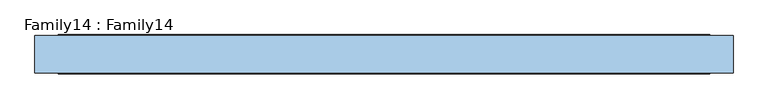
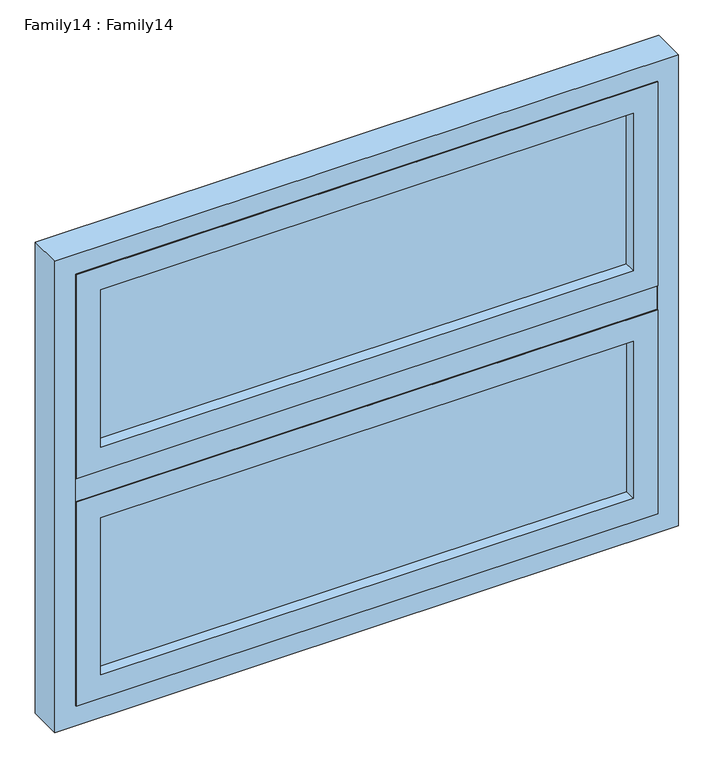
"""IFC4 building model written with IfcOpenShell, lengths in millimetres: window geometry, Family14 : Family14."""

import ifcopenshell
import ifcopenshell.guid

model = None  # the IFC model being written
_history = None  # IfcOwnerHistory: only IFC2X3 demands one
_inside = {}  # id of a spatial element -> (the spatial element, [elements in it])
_under = {}  # id of a project, library or spatial element -> (it, [spatial elements below it])
_declared = {}  # id of a project -> (the project, [libraries it declares])
_typed = {}  # id of a type object -> (the type object, [elements of that type])
_made_of = {}  # id of a material, layer set ... -> (it, [elements and type objects made of it])


def new_model(schema):
    """Start an empty IFC model of exactly this schema.

    Asked for "IFC4X3", IfcOpenShell would pick the latest addendum, in which some entities
    have other attributes; the version numbers below select the first issue.
    IFC2X3 requires an IfcOwnerHistory on every rooted entity: one is made here for all.
    """
    global model, _history
    if schema == "IFC4X3":
        model = ifcopenshell.file(schema_version=(4, 3, 0, 0))
    else:
        model = ifcopenshell.file(schema=schema)
    _inside.clear()
    _under.clear()
    _declared.clear()
    _typed.clear()
    _made_of.clear()
    _history = None
    if model.schema == "IFC2X3":
        org = make("IfcOrganization", Name="unknown")
        user = make(
            "IfcPersonAndOrganization",
            ThePerson=make("IfcPerson", FamilyName="unknown"),
            TheOrganization=org,
        )
        app = make(
            "IfcApplication",
            ApplicationDeveloper=org,
            Version="unknown",
            ApplicationFullName="unknown",
            ApplicationIdentifier="unknown",
        )
        _history = make(
            "IfcOwnerHistory",
            OwningUser=user,
            OwningApplication=app,
            ChangeAction="ADDED",
            CreationDate=0,
        )
    return model


def make(cls, **values):
    """One entity of the class cls with the attributes given. An attribute that is None is left unset."""
    return model.create_entity(
        cls, **{name: value for name, value in values.items() if value is not None}
    )


def rooted(cls, **values):
    """An entity with a GlobalId (a new one), such as an element, a storey or a relation."""
    return make(cls, GlobalId=ifcopenshell.guid.new(), OwnerHistory=_history, **values)


def si_unit(unit_type, name, prefix=None):
    """IfcSIUnit, for example si_unit("LENGTHUNIT", "METRE", prefix="MILLI")."""
    return make("IfcSIUnit", UnitType=unit_type, Prefix=prefix, Name=name)


def assignment(units):
    """IfcUnitAssignment: the units of a project."""
    return None if units is None else make("IfcUnitAssignment", Units=units)


def point(xyz):
    """IfcCartesianPoint."""
    return None if xyz is None else make("IfcCartesianPoint", Coordinates=xyz)


def direction(xyz):
    """IfcDirection."""
    return None if xyz is None else make("IfcDirection", DirectionRatios=xyz)


def frame(location, z_axis=None, x_axis=None):
    """IfcAxis2Placement3D, a coordinate frame: its origin and axes. An axis left out is left unset."""
    return make(
        "IfcAxis2Placement3D",
        Location=point(location),
        Axis=direction(z_axis),
        RefDirection=direction(x_axis),
    )


def origin():
    """The frame at (0, 0, 0) with its axes left unset."""
    return frame((0.0, 0.0, 0.0))


def place(relative_to, where):
    """IfcLocalPlacement: puts the frame where relative to a parent placement (None: the world)."""
    return make(
        "IfcLocalPlacement", PlacementRelTo=relative_to, RelativePlacement=where
    )


def context(
    kind, dimensions, precision=None, world=None, true_north=None, identifier=None
):
    """IfcGeometricRepresentationContext, for example the 3D "Model" context."""
    return make(
        "IfcGeometricRepresentationContext",
        ContextIdentifier=identifier,
        ContextType=kind,
        CoordinateSpaceDimension=dimensions,
        Precision=precision,
        WorldCoordinateSystem=world,
        TrueNorth=true_north,
    )


def project(units=None, contexts=None):
    """IfcProject with its units and contexts."""
    return rooted(
        "IfcProject",
        Name="project",
        RepresentationContexts=contexts,
        UnitsInContext=assignment(units),
    )


def spatial(cls, under=None, at=None, **own):
    """A site, building, storey or space (cls), placed at a placement, below another one or the project."""
    s = rooted(cls, ObjectPlacement=at, **own)
    if under is not None:
        _under.setdefault(under.id(), (under, []))[1].append(s)
    return s


def polyline(points):
    """IfcPolyline through the points."""
    return make("IfcPolyline", Points=[point(p) for p in points])


def outline(outer, holes=None, kind="AREA"):
    """IfcArbitraryClosedProfileDef: a profile drawn as a closed curve; with holes, ...WithVoids."""
    if holes is None:
        return make("IfcArbitraryClosedProfileDef", ProfileType=kind, OuterCurve=outer)
    return make(
        "IfcArbitraryProfileDefWithVoids",
        ProfileType=kind,
        OuterCurve=outer,
        InnerCurves=holes,
    )


def extrude(swept, where, along, depth):
    """IfcExtrudedAreaSolid: the profile swept, set in the frame where, extruded along a direction by depth."""
    return make(
        "IfcExtrudedAreaSolid",
        SweptArea=swept,
        Position=where,
        ExtrudedDirection=direction(along),
        Depth=depth,
    )


def shape(context_of_items, identifier, shape_type, items):
    """IfcShapeRepresentation: the items that make up one representation, for example the "Body"."""
    return make(
        "IfcShapeRepresentation",
        ContextOfItems=context_of_items,
        RepresentationIdentifier=identifier,
        RepresentationType=shape_type,
        Items=items,
    )


def source(mapping_origin, context_of_items, identifier, shape_type, items):
    """IfcRepresentationMap: a shape defined once, which mapped items show again and again."""
    return make(
        "IfcRepresentationMap",
        MappingOrigin=mapping_origin,
        MappedRepresentation=shape(context_of_items, identifier, shape_type, items),
    )


def transform(
    local_origin,
    x_axis=None,
    y_axis=None,
    z_axis=None,
    scale=None,
    scale2=None,
    scale3=None,
    uniform=True,
):
    """IfcCartesianTransformationOperator3D, or its non-uniform kind. x_axis, y_axis, z_axis: its Axis1, 2, 3."""
    if uniform:
        return make(
            "IfcCartesianTransformationOperator3D",
            Axis1=direction(x_axis),
            Axis2=direction(y_axis),
            LocalOrigin=point(local_origin),
            Scale=scale,
            Axis3=direction(z_axis),
        )
    return make(
        "IfcCartesianTransformationOperator3DnonUniform",
        Axis1=direction(x_axis),
        Axis2=direction(y_axis),
        LocalOrigin=point(local_origin),
        Scale=scale,
        Axis3=direction(z_axis),
        Scale2=scale2,
        Scale3=scale3,
    )


def mapped(mapping_source, mapping_target):
    """IfcMappedItem: shows the shape of a source again, moved by a transform."""
    return make(
        "IfcMappedItem", MappingSource=mapping_source, MappingTarget=mapping_target
    )


def made_of(thing, what):
    """Note that an element or type object is made of a material, layer set ...; save() writes the relation."""
    if what is not None:
        _made_of.setdefault(what.id(), (what, []))[1].append(thing)
    return thing


def element(
    cls,
    number,
    at=None,
    inside=None,
    cuts=None,
    type_object=None,
    material=None,
    context=None,
    identifier="Body",
    shape_type=None,
    held_by="IfcProductDefinitionShape",
    body=None,
    shapes=None,
    **own,
):
    """One element of the class cls, such as IfcWall. Its Tag is "e" and its number.

    at: its placement. inside: the storey or other place that contains it. cuts: it is an
    opening in that element (IfcRelVoidsElement). A single representation is given by context,
    identifier, shape_type and body (its items); several are given by shapes. held_by: the class
    of the entity that holds the representations. save() writes the other relations.
    """
    e = rooted(cls, Tag="e%d" % number, ObjectPlacement=at, **own)
    if body is not None:
        shapes = [shape(context, identifier, shape_type, body)]
    if shapes is not None:
        e.Representation = make(held_by, Representations=shapes)
    if inside is not None:
        _inside.setdefault(inside.id(), (inside, []))[1].append(e)
    if cuts is not None:
        rooted(
            "IfcRelVoidsElement", RelatingBuildingElement=cuts, RelatedOpeningElement=e
        )
    if type_object is not None:
        _typed.setdefault(type_object.id(), (type_object, []))[1].append(e)
    return made_of(e, material)


def aggregate(whole, parts):
    """IfcRelAggregates: a whole, such as a stair, and the parts it consists of."""
    return rooted("IfcRelAggregates", RelatingObject=whole, RelatedObjects=parts)


def save(model, path):
    """Write the relations noted so far, then the file.

    IfcRelAggregates (storeys below a building ...), IfcRelContainedInSpatialStructure (elements
    in a storey), IfcRelDefinesByType, IfcRelAssociatesMaterial and IfcRelDeclares: one each for
    every whole, place, type object, material and project.
    """
    for whole, parts in _under.values():
        aggregate(whole, parts)
    for where, things in _inside.values():
        rooted(
            "IfcRelContainedInSpatialStructure",
            RelatedElements=things,
            RelatingStructure=where,
        )
    for kind, things in _typed.values():
        rooted("IfcRelDefinesByType", RelatedObjects=things, RelatingType=kind)
    for what, things in _made_of.values():
        rooted("IfcRelAssociatesMaterial", RelatedObjects=things, RelatingMaterial=what)
    for by, libraries in _declared.values():
        rooted("IfcRelDeclares", RelatingContext=by, RelatedDefinitions=libraries)
    model.write(path)


def family14_family14_2bd14188(model_context):
    return source(origin(), model_context, "Body", "SweptSolid", [
        extrude(outline(polyline([(636.0, -10.0), (636.0, -14.0), (-636.0, -14.0), (-636.0, -10.0), (636.0, -10.0)])), frame((0.0, 0.0, 909.0), z_axis=(0.0, 0.0, 1.0), x_axis=(1.0, 0.0, 0.0)), (0.0, 0.0, 1.0), 397.0),
        extrude(outline(polyline([(636.0, 14.0), (636.0, 10.0), (-636.0, 10.0), (-636.0, 14.0), (636.0, 14.0)])), frame((0.0, 0.0, 909.0), z_axis=(0.0, 0.0, 1.0), x_axis=(1.0, 0.0, 0.0)), (0.0, 0.0, 1.0), 397.0),
        extrude(outline(polyline([(1365.0, 695.0), (1365.0, -695.0), (850.0, -695.0), (850.0, 695.0), (1365.0, 695.0)]), holes=[polyline([(909.0, 636.0), (909.0, -636.0), (1306.0, -636.0), (1306.0, 636.0), (909.0, 636.0)])]), frame((0.0, -42.0, 0.0), z_axis=(0.0, 1.0, 0.0), x_axis=(0.0, 0.0, 1.0)), (0.0, 0.0, 1.0), 84.0),
        extrude(outline(polyline([(1940.0, 695.0), (1940.0, -695.0), (1425.0, -695.0), (1425.0, 695.0), (1940.0, 695.0)]), holes=[polyline([(1484.0, 636.0), (1484.0, -636.0), (1881.0, -636.0), (1881.0, 636.0), (1484.0, 636.0)])]), frame((0.0, -42.0, 0.0), z_axis=(0.0, 1.0, 0.0), x_axis=(0.0, 0.0, 1.0)), (0.0, 0.0, 1.0), 84.0),
        extrude(outline(polyline([(1990.0, 745.0), (1990.0, -745.0), (800.0, -745.0), (800.0, 745.0), (1990.0, 745.0)]), holes=[polyline([(850.0, 695.0), (850.0, -695.0), (1940.0, -695.0), (1940.0, 695.0), (850.0, 695.0)])]), frame((0.0, -40.0, 0.0), z_axis=(0.0, 1.0, 0.0), x_axis=(0.0, 0.0, 1.0)), (0.0, 0.0, 1.0), 80.0),
        extrude(outline(polyline([(636.0, -10.0), (636.0, -14.0), (-636.0, -14.0), (-636.0, -10.0), (636.0, -10.0)])), frame((0.0, 0.0, 1484.0), z_axis=(0.0, 0.0, 1.0), x_axis=(1.0, 0.0, 0.0)), (0.0, 0.0, 1.0), 397.0),
        extrude(outline(polyline([(636.0, 14.0), (636.0, 10.0), (-636.0, 10.0), (-636.0, 14.0), (636.0, 14.0)])), frame((0.0, 0.0, 1484.0), z_axis=(0.0, 0.0, 1.0), x_axis=(1.0, 0.0, 0.0)), (0.0, 0.0, 1.0), 397.0),
        extrude(outline(polyline([(695.0, -40.0), (-695.0, -40.0), (-695.0, 40.0), (695.0, 40.0), (695.0, -40.0)])), frame((0.0, 0.0, 1365.0), z_axis=(0.0, 0.0, 1.0), x_axis=(1.0, 0.0, 0.0)), (0.0, 0.0, 1.0), 60.0),
    ])


if __name__ == "__main__":
    model = new_model("IFC4")
    model_context = context("Model", 3, world=origin())
    ifc_project = project(units=[si_unit("LENGTHUNIT", "METRE", prefix="MILLI")], contexts=[model_context])
    site = spatial("IfcSite", under=ifc_project)
    building = spatial("IfcBuilding", under=site)
    placement = place(None, origin())
    family14_family14_shape = family14_family14_2bd14188(model_context)
    element("IfcWindow", 1, ObjectType="Family14 : Family14", at=placement, inside=building, context=model_context, shape_type="MappedRepresentation", body=[
        mapped(family14_family14_shape, transform((0.0, 0.0, 0.0), x_axis=(1.0, 0.0, 0.0), y_axis=(0.0, 1.0, 0.0), z_axis=(0.0, 0.0, 1.0))),
    ])
    save(model, "model.ifc")
